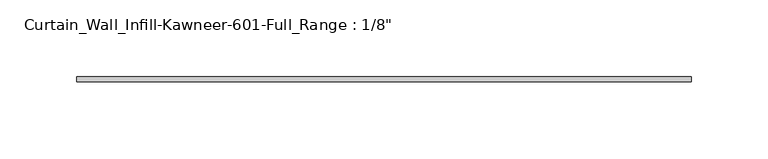
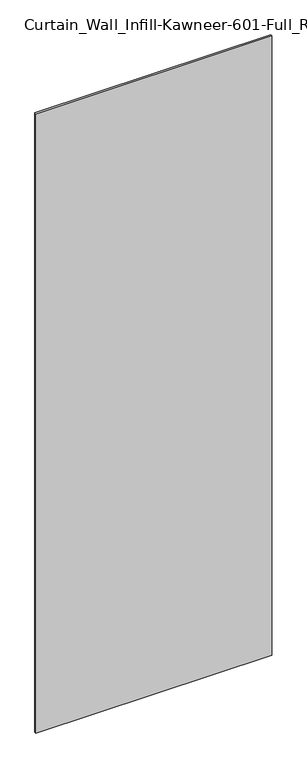
"""IFC4 building model written with IfcOpenShell, lengths in millimetres: plate geometry."""

import ifcopenshell
import ifcopenshell.guid

model = None  # the IFC model being written
_history = None  # IfcOwnerHistory: only IFC2X3 demands one
_inside = {}  # id of a spatial element -> (the spatial element, [elements in it])
_under = {}  # id of a project, library or spatial element -> (it, [spatial elements below it])
_declared = {}  # id of a project -> (the project, [libraries it declares])
_typed = {}  # id of a type object -> (the type object, [elements of that type])
_made_of = {}  # id of a material, layer set ... -> (it, [elements and type objects made of it])


def new_model(schema):
    """Start an empty IFC model of exactly this schema.

    Asked for "IFC4X3", IfcOpenShell would pick the latest addendum, in which some entities
    have other attributes; the version numbers below select the first issue.
    IFC2X3 requires an IfcOwnerHistory on every rooted entity: one is made here for all.
    """
    global model, _history
    if schema == "IFC4X3":
        model = ifcopenshell.file(schema_version=(4, 3, 0, 0))
    else:
        model = ifcopenshell.file(schema=schema)
    _inside.clear()
    _under.clear()
    _declared.clear()
    _typed.clear()
    _made_of.clear()
    _history = None
    if model.schema == "IFC2X3":
        org = make("IfcOrganization", Name="unknown")
        user = make(
            "IfcPersonAndOrganization",
            ThePerson=make("IfcPerson", FamilyName="unknown"),
            TheOrganization=org,
        )
        app = make(
            "IfcApplication",
            ApplicationDeveloper=org,
            Version="unknown",
            ApplicationFullName="unknown",
            ApplicationIdentifier="unknown",
        )
        _history = make(
            "IfcOwnerHistory",
            OwningUser=user,
            OwningApplication=app,
            ChangeAction="ADDED",
            CreationDate=0,
        )
    return model


def make(cls, **values):
    """One entity of the class cls with the attributes given. An attribute that is None is left unset."""
    return model.create_entity(
        cls, **{name: value for name, value in values.items() if value is not None}
    )


def rooted(cls, **values):
    """An entity with a GlobalId (a new one), such as an element, a storey or a relation."""
    return make(cls, GlobalId=ifcopenshell.guid.new(), OwnerHistory=_history, **values)


def si_unit(unit_type, name, prefix=None):
    """IfcSIUnit, for example si_unit("LENGTHUNIT", "METRE", prefix="MILLI")."""
    return make("IfcSIUnit", UnitType=unit_type, Prefix=prefix, Name=name)


def assignment(units):
    """IfcUnitAssignment: the units of a project."""
    return None if units is None else make("IfcUnitAssignment", Units=units)


def point(xyz):
    """IfcCartesianPoint."""
    return None if xyz is None else make("IfcCartesianPoint", Coordinates=xyz)


def direction(xyz):
    """IfcDirection."""
    return None if xyz is None else make("IfcDirection", DirectionRatios=xyz)


def frame(location, z_axis=None, x_axis=None):
    """IfcAxis2Placement3D, a coordinate frame: its origin and axes. An axis left out is left unset."""
    return make(
        "IfcAxis2Placement3D",
        Location=point(location),
        Axis=direction(z_axis),
        RefDirection=direction(x_axis),
    )


def origin():
    """The frame at (0, 0, 0) with its axes left unset."""
    return frame((0.0, 0.0, 0.0))


def origin_with_axes():
    """The frame at (0, 0, 0) with the z axis (0, 0, 1) and the x axis (1, 0, 0) written out."""
    return frame((0.0, 0.0, 0.0), z_axis=(0.0, 0.0, 1.0), x_axis=(1.0, 0.0, 0.0))


def place(relative_to, where):
    """IfcLocalPlacement: puts the frame where relative to a parent placement (None: the world)."""
    return make(
        "IfcLocalPlacement", PlacementRelTo=relative_to, RelativePlacement=where
    )


def context(
    kind, dimensions, precision=None, world=None, true_north=None, identifier=None
):
    """IfcGeometricRepresentationContext, for example the 3D "Model" context."""
    return make(
        "IfcGeometricRepresentationContext",
        ContextIdentifier=identifier,
        ContextType=kind,
        CoordinateSpaceDimension=dimensions,
        Precision=precision,
        WorldCoordinateSystem=world,
        TrueNorth=true_north,
    )


def project(units=None, contexts=None):
    """IfcProject with its units and contexts."""
    return rooted(
        "IfcProject",
        Name="project",
        RepresentationContexts=contexts,
        UnitsInContext=assignment(units),
    )


def spatial(cls, under=None, at=None, **own):
    """A site, building, storey or space (cls), placed at a placement, below another one or the project."""
    s = rooted(cls, ObjectPlacement=at, **own)
    if under is not None:
        _under.setdefault(under.id(), (under, []))[1].append(s)
    return s


def polyline(points):
    """IfcPolyline through the points."""
    return make("IfcPolyline", Points=[point(p) for p in points])


def outline(outer, holes=None, kind="AREA"):
    """IfcArbitraryClosedProfileDef: a profile drawn as a closed curve; with holes, ...WithVoids."""
    if holes is None:
        return make("IfcArbitraryClosedProfileDef", ProfileType=kind, OuterCurve=outer)
    return make(
        "IfcArbitraryProfileDefWithVoids",
        ProfileType=kind,
        OuterCurve=outer,
        InnerCurves=holes,
    )


def extrude(swept, where, along, depth):
    """IfcExtrudedAreaSolid: the profile swept, set in the frame where, extruded along a direction by depth."""
    return make(
        "IfcExtrudedAreaSolid",
        SweptArea=swept,
        Position=where,
        ExtrudedDirection=direction(along),
        Depth=depth,
    )


def shape(context_of_items, identifier, shape_type, items):
    """IfcShapeRepresentation: the items that make up one representation, for example the "Body"."""
    return make(
        "IfcShapeRepresentation",
        ContextOfItems=context_of_items,
        RepresentationIdentifier=identifier,
        RepresentationType=shape_type,
        Items=items,
    )


def source(mapping_origin, context_of_items, identifier, shape_type, items):
    """IfcRepresentationMap: a shape defined once, which mapped items show again and again."""
    return make(
        "IfcRepresentationMap",
        MappingOrigin=mapping_origin,
        MappedRepresentation=shape(context_of_items, identifier, shape_type, items),
    )


def transform(
    local_origin,
    x_axis=None,
    y_axis=None,
    z_axis=None,
    scale=None,
    scale2=None,
    scale3=None,
    uniform=True,
):
    """IfcCartesianTransformationOperator3D, or its non-uniform kind. x_axis, y_axis, z_axis: its Axis1, 2, 3."""
    if uniform:
        return make(
            "IfcCartesianTransformationOperator3D",
            Axis1=direction(x_axis),
            Axis2=direction(y_axis),
            LocalOrigin=point(local_origin),
            Scale=scale,
            Axis3=direction(z_axis),
        )
    return make(
        "IfcCartesianTransformationOperator3DnonUniform",
        Axis1=direction(x_axis),
        Axis2=direction(y_axis),
        LocalOrigin=point(local_origin),
        Scale=scale,
        Axis3=direction(z_axis),
        Scale2=scale2,
        Scale3=scale3,
    )


def mapped(mapping_source, mapping_target):
    """IfcMappedItem: shows the shape of a source again, moved by a transform."""
    return make(
        "IfcMappedItem", MappingSource=mapping_source, MappingTarget=mapping_target
    )


def made_of(thing, what):
    """Note that an element or type object is made of a material, layer set ...; save() writes the relation."""
    if what is not None:
        _made_of.setdefault(what.id(), (what, []))[1].append(thing)
    return thing


def element(
    cls,
    number,
    at=None,
    inside=None,
    cuts=None,
    type_object=None,
    material=None,
    context=None,
    identifier="Body",
    shape_type=None,
    held_by="IfcProductDefinitionShape",
    body=None,
    shapes=None,
    **own,
):
    """One element of the class cls, such as IfcWall. Its Tag is "e" and its number.

    at: its placement. inside: the storey or other place that contains it. cuts: it is an
    opening in that element (IfcRelVoidsElement). A single representation is given by context,
    identifier, shape_type and body (its items); several are given by shapes. held_by: the class
    of the entity that holds the representations. save() writes the other relations.
    """
    e = rooted(cls, Tag="e%d" % number, ObjectPlacement=at, **own)
    if body is not None:
        shapes = [shape(context, identifier, shape_type, body)]
    if shapes is not None:
        e.Representation = make(held_by, Representations=shapes)
    if inside is not None:
        _inside.setdefault(inside.id(), (inside, []))[1].append(e)
    if cuts is not None:
        rooted(
            "IfcRelVoidsElement", RelatingBuildingElement=cuts, RelatedOpeningElement=e
        )
    if type_object is not None:
        _typed.setdefault(type_object.id(), (type_object, []))[1].append(e)
    return made_of(e, material)


def aggregate(whole, parts):
    """IfcRelAggregates: a whole, such as a stair, and the parts it consists of."""
    return rooted("IfcRelAggregates", RelatingObject=whole, RelatedObjects=parts)


def save(model, path):
    """Write the relations noted so far, then the file.

    IfcRelAggregates (storeys below a building ...), IfcRelContainedInSpatialStructure (elements
    in a storey), IfcRelDefinesByType, IfcRelAssociatesMaterial and IfcRelDeclares: one each for
    every whole, place, type object, material and project.
    """
    for whole, parts in _under.values():
        aggregate(whole, parts)
    for where, things in _inside.values():
        rooted(
            "IfcRelContainedInSpatialStructure",
            RelatedElements=things,
            RelatingStructure=where,
        )
    for kind, things in _typed.values():
        rooted("IfcRelDefinesByType", RelatedObjects=things, RelatingType=kind)
    for what, things in _made_of.values():
        rooted("IfcRelAssociatesMaterial", RelatedObjects=things, RelatingMaterial=what)
    for by, libraries in _declared.values():
        rooted("IfcRelDeclares", RelatingContext=by, RelatedDefinitions=libraries)
    model.write(path)


def plate_c9ea6a59(model_context):
    return source(origin(), model_context, "Body", "SweptSolid", [
        extrude(outline(polyline([(-200.025, 11.1125), (200.025, 11.1125), (200.025, 7.9375), (-200.025, 7.9375), (-200.025, 11.1125)])), origin_with_axes(), (0.0, 0.0, 1.0), 1111.25),
    ])


if __name__ == "__main__":
    model = new_model("IFC4")
    model_context = context("Model", 3, world=origin())
    ifc_project = project(units=[si_unit("LENGTHUNIT", "METRE", prefix="MILLI")], contexts=[model_context])
    site = spatial("IfcSite", under=ifc_project)
    building = spatial("IfcBuilding", under=site)
    placement = place(None, origin())
    plate_shape = plate_c9ea6a59(model_context)
    element("IfcPlate", 1, ObjectType="Curtain_Wall_Infill-Kawneer-601-Full_Range : 1/8\"", at=placement, inside=building, context=model_context, shape_type="MappedRepresentation", body=[
        mapped(plate_shape, transform((0.0, 0.0, 0.0), x_axis=(1.0, 0.0, 0.0), y_axis=(0.0, 1.0, 0.0), z_axis=(0.0, 0.0, 1.0))),
    ])
    save(model, "model.ifc")
